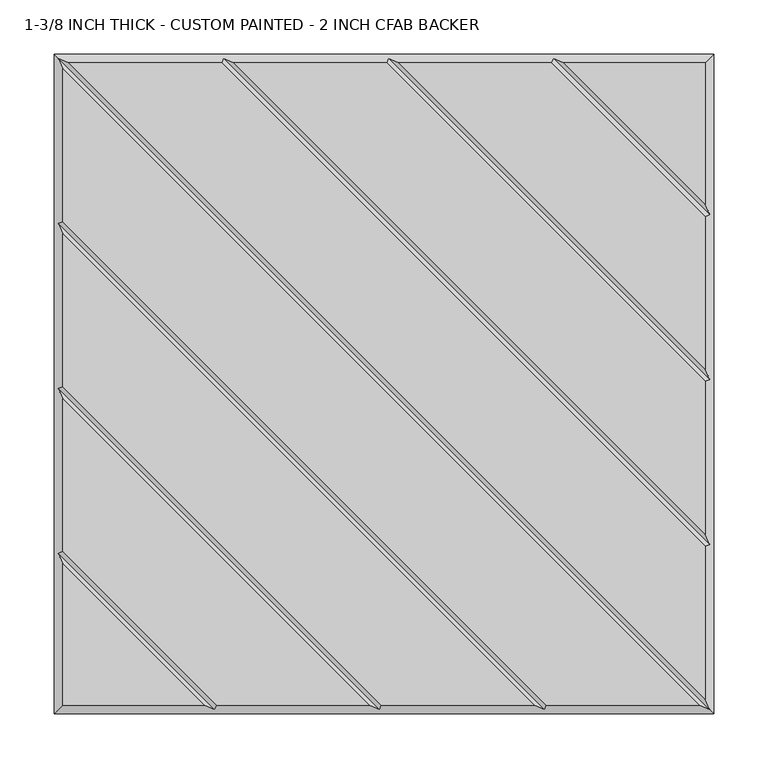
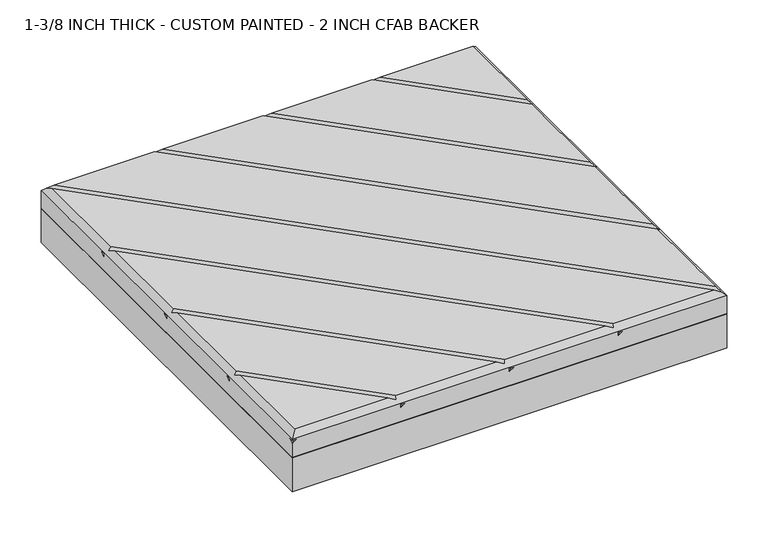
"""IFC4 building model written with IfcOpenShell, lengths in millimetres: proxy geometry, 1-3/8 INCH THICK - CUSTOM PAINTED - 2 INCH CFAB BACKER."""

from ifc_helpers import new_model, si_unit, frame, origin, place, context, project, spatial, polyline, outline, extrude, faceted_brep, source, transform, mapped, element, save


def proxy_1_3_8_inch_thick_custom_painted_2_inch_cfab_backer_4cb19c69(model_context):
    return source(origin(), model_context, "Body", "SolidModel", [
        extrude(outline(polyline([(-304.8, 304.8), (304.8, 304.8), (304.8, -304.8), (-304.8, -304.8), (-304.8, 304.8)])), frame((0.0, 0.0, -50.8), z_axis=(0.0, 0.0, 1.0), x_axis=(1.0, 0.0, 0.0)), (0.0, 0.0, 1.0), 50.8),
        faceted_brep([(296.799, 154.7434623, 34.925), (154.743415, 296.799, 34.925), (13.6585378, 296.799, 34.925), (296.799, 13.658585, 34.925), (296.799, 2.3434632, 34.925), (2.3434141, 296.799, 34.925), (-138.7414628, 296.799, 34.925), (296.799, -138.7414144, 34.925), (296.799, -150.0565365, 34.925), (-150.0565862, 296.799, 34.925), (-291.1414386, 296.799, 34.925), (296.799, -291.1414386, 34.925), (291.1414386, -296.799, 34.925), (-296.799, 291.1414386, 34.925), (-296.799, 150.0565868, 34.925), (150.0565868, -296.799, 34.925), (138.741464, -296.799, 34.925), (-296.799, 138.741464, 34.925), (-296.799, -2.3434137, 34.925), (-2.3434382, -296.799, 34.925), (-13.6585605, -296.799, 34.925), (-296.799, -13.6585369, 34.925), (-296.799, -154.7434305, 34.925), (-154.743904, -296.799, 34.925), (296.799, 296.799, 34.925), (166.0585396, 296.799, 34.925), (296.799, 166.0585831, 34.925), (-296.799, -166.0585721, 34.925), (-296.799, -296.799, 34.925), (-166.0590079, -296.799, 34.925), (-304.8, 304.8, 0.0), (304.8, 304.8, 0.0), (304.8, -304.8, 0.0), (-304.8, -304.8, 0.0), (-304.8, -304.8, 21.3995359), (-304.8, -299.1424894, 25.4), (-304.8, -304.8, 25.4), (-304.8, -304.8, 26.924), (-304.8, 304.8, 26.924), (-304.8, -152.3999238, 21.3996078), (-304.8, -146.7425148, 25.4), (-304.8, -152.3999238, 25.4), (-304.8, 7.62e-05, 21.3996078), (-304.8, 5.6574852, 25.4), (-304.8, 7.62e-05, 25.4), (-304.8, 152.4000762, 21.3996078), (-304.8, 158.0574852, 25.4), (-304.8, 152.4000762, 25.4), (304.8, -304.8, 26.924), (-299.1423878, -304.8, 25.4), (-146.7424132, -304.8, 25.4), (-152.3999577, -304.8, 21.399512), (-152.3999238, -304.8, 25.4), (5.6575868, -304.8, 25.4), (4.23e-05, -304.8, 21.399512), (7.62e-05, -304.8, 25.4), (158.0575868, -304.8, 25.4), (152.4000423, -304.8, 21.399512), (152.4000762, -304.8, 25.4), (304.8, 304.8, 21.3995359), (304.8, 299.1423878, 25.4), (304.8, 304.8, 25.4), (304.8, 304.8, 26.924), (304.8, 152.4000762, 25.4), (304.8, 152.4000762, 21.3995), (304.8, 146.7424132, 25.4), (304.8, 7.62e-05, 25.4), (304.8, 7.62e-05, 21.3995), (304.8, -5.6575868, 25.4), (304.8, -152.3999238, 25.4), (304.8, -152.3999238, 21.3995), (304.8, -158.0575868, 25.4), (299.1424894, 304.8, 25.4), (152.4000762, 304.8, 21.3995), (152.4000762, 304.8, 25.4), (146.7425148, 304.8, 25.4), (7.62e-05, 304.8, 21.3995), (7.62e-05, 304.8, 25.4), (-5.6574852, 304.8, 25.4), (-152.3999238, 304.8, 21.3995), (-152.3999238, 304.8, 25.4), (-158.0574852, 304.8, 25.4), (-300.7995, 300.7995, 30.9245), (-148.399525, 300.7995, 30.9245), (4.0004753, 300.7995, 30.9245), (156.4004759, 300.7995, 30.9245), (-300.7995, -156.4004879, 30.9245), (-300.7995, -4.0004749, 30.9245), (-300.7995, 148.3995254, 30.9245), (300.7995, -300.7995, 30.9245), (148.3995254, -300.7995, 30.9245), (-4.0004997, -300.7995, 30.9245), (-156.4009693, -300.7995, 30.9245), (300.7995, 156.4005241, 30.9245), (300.7995, 4.0005247, 30.9245), (300.7995, -148.399475, 30.9245), (301.9712701, 155.2288061, 25.4), (-155.2287299, -301.9711939, 25.4), (301.9712701, 2.8288061, 25.4), (-2.8287299, -301.9711939, 25.4), (301.9712701, -149.5711939, 25.4), (149.5712701, -301.9711939, 25.4), (155.2288569, 301.9712193, 25.4), (-301.9711431, -155.2287807, 25.4), (2.8288569, 301.9712193, 25.4), (-301.9711431, -2.8287807, 25.4), (-149.5711431, 301.9712193, 25.4), (-301.9711431, 149.5712193, 25.4)], [[[0, 1, 2, 3]], [[4, 5, 6, 7]], [[8, 9, 10, 11]], [[12, 13, 14, 15]], [[16, 17, 18, 19]], [[20, 21, 22, 23]], [[24, 25, 26]], [[27, 28, 29]], [[30, 31, 32, 33]], [[30, 33, 34, 35, 36, 37, 38], [39, 40, 41], [42, 43, 44], [45, 46, 47]], [[33, 32, 48, 37, 36, 49, 34], [50, 51, 52], [53, 54, 55], [56, 57, 58]], [[32, 31, 59, 60, 61, 62, 48], [63, 64, 65], [66, 67, 68], [69, 70, 71]], [[31, 30, 38, 62, 61, 72, 59], [73, 74, 75], [76, 77, 78], [79, 80, 81]], [[24, 62, 38, 82, 10, 9, 83, 6, 5, 84, 2, 1, 85, 25]], [[37, 28, 27, 86, 22, 21, 87, 18, 17, 88, 14, 13, 82, 38]], [[28, 37, 48, 89, 12, 15, 90, 16, 19, 91, 20, 23, 92, 29]], [[62, 24, 26, 93, 0, 3, 94, 4, 7, 95, 8, 11, 89, 48]], [[34, 59, 72, 35]], [[59, 34, 49, 60]], [[64, 96, 97, 51]], [[64, 51, 50, 65]], [[67, 98, 99, 54]], [[67, 54, 53, 68]], [[70, 100, 101, 57]], [[70, 57, 56, 71]], [[102, 73, 39, 103]], [[39, 73, 75, 40]], [[104, 76, 42, 105]], [[42, 76, 78, 43]], [[106, 79, 45, 107]], [[45, 79, 81, 46]], [[93, 85, 1, 0]], [[85, 93, 26, 25]], [[94, 84, 5, 4]], [[84, 94, 3, 2]], [[95, 83, 9, 8]], [[83, 95, 7, 6]], [[82, 89, 11, 10]], [[89, 82, 13, 12]], [[88, 90, 15, 14]], [[90, 88, 17, 16]], [[87, 91, 19, 18]], [[91, 87, 21, 20]], [[86, 92, 23, 22]], [[92, 86, 27, 29]], [[60, 49, 36, 35, 72, 61]], [[96, 64, 63]], [[97, 96, 63, 65, 50, 52]], [[51, 97, 52]], [[98, 67, 66]], [[99, 98, 66, 68, 53, 55]], [[54, 99, 55]], [[100, 70, 69]], [[101, 100, 69, 71, 56, 58]], [[57, 101, 58]], [[73, 102, 74]], [[102, 103, 41, 40, 75, 74]], [[103, 39, 41]], [[76, 104, 77]], [[104, 105, 44, 43, 78, 77]], [[105, 42, 44]], [[79, 106, 80]], [[106, 107, 47, 46, 81, 80]], [[107, 45, 47]]]),
    ])


if __name__ == "__main__":
    model = new_model("IFC4")
    model_context = context("Model", 3, world=origin())
    ifc_project = project(units=[si_unit("LENGTHUNIT", "METRE", prefix="MILLI")], contexts=[model_context])
    site = spatial("IfcSite", under=ifc_project)
    building = spatial("IfcBuilding", under=site)
    placement = place(None, origin())
    proxy_1_3_8_inch_thick_custom_painted_2_inch_cfab_backer_shape = proxy_1_3_8_inch_thick_custom_painted_2_inch_cfab_backer_4cb19c69(model_context)
    element("IfcBuildingElementProxy", 1, Name="1-3/8 INCH THICK - CUSTOM PAINTED - 2 INCH CFAB BACKER", ObjectType="1-3/8 INCH THICK - CUSTOM PAINTED - 2 INCH CFAB BACKER", at=placement, inside=building, context=model_context, shape_type="MappedRepresentation", body=[
        mapped(proxy_1_3_8_inch_thick_custom_painted_2_inch_cfab_backer_shape, transform((0.0, 0.0, 0.0), x_axis=(1.0, 0.0, 0.0), y_axis=(0.0, 1.0, 0.0), z_axis=(0.0, 0.0, 1.0))),
    ])
    save(model, "model.ifc")
